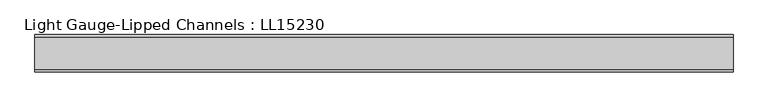
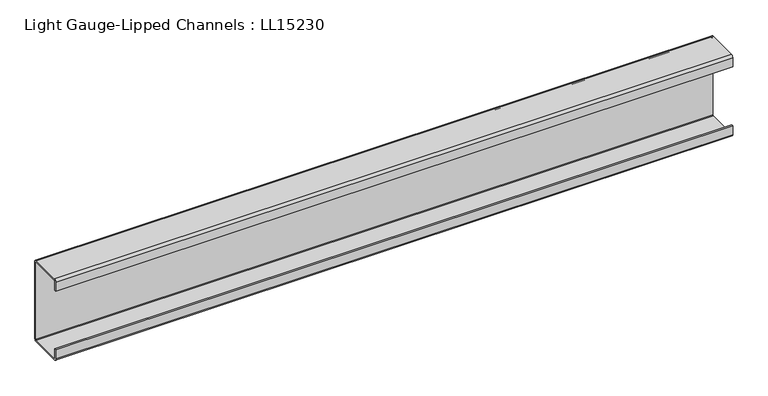
"""IFC4 building model written with IfcOpenShell, lengths in millimetres: beam geometry, Light Gauge-Lipped Channels : LL15230."""

from ifc_helpers import new_model, si_unit, point, frame, frame_2d, origin, place, context, project, spatial, polyline, circle_curve, trimmed, segment, composite_curve, outline, extrude, source, transform, mapped, element, save


def light_gauge_lipped_channels_ll15230_b1ff0596(model_context):
    return source(origin(), model_context, "Body", "SweptSolid", [
        extrude(outline(composite_curve([segment(trimmed(circle_curve(frame_2d((16.9, -72.0)), 4.0), [point((20.9, -72.0))], [point((16.9, -76.0))], False, "CARTESIAN"), True, "CONTINUOUS"), segment(polyline([(16.9, -76.0), (-39.1, -76.0)]), True, "CONTINUOUS"), segment(trimmed(circle_curve(frame_2d((-39.1, -72.0)), 4.0), [point((-39.1, -76.0))], [point((-43.1, -72.0))], False, "CARTESIAN"), True, "CONTINUOUS"), segment(polyline([(-43.1, -72.0), (-43.1, -55.0), (-40.1, -55.0), (-40.1, -72.0)]), True, "CONTINUOUS"), segment(trimmed(circle_curve(frame_2d((-39.1, -72.0)), 1.0), [point((-40.1, -72.0))], [point((-39.1, -73.0))], True, "CARTESIAN"), True, "CONTINUOUS"), segment(polyline([(-39.1, -73.0), (16.9, -73.0)]), True, "CONTINUOUS"), segment(trimmed(circle_curve(frame_2d((16.9, -72.0)), 1.0), [point((16.9, -73.0))], [point((17.9, -72.0))], True, "CARTESIAN"), True, "CONTINUOUS"), segment(polyline([(17.9, -72.0), (17.9, 72.0)]), True, "CONTINUOUS"), segment(trimmed(circle_curve(frame_2d((16.9, 72.0)), 1.0), [point((17.9, 72.0))], [point((16.9, 73.0))], True, "CARTESIAN"), True, "CONTINUOUS"), segment(polyline([(16.9, 73.0), (-39.1, 73.0)]), True, "CONTINUOUS"), segment(trimmed(circle_curve(frame_2d((-39.1, 72.0)), 1.0), [point((-39.1, 73.0))], [point((-40.1, 72.0))], True, "CARTESIAN"), True, "CONTINUOUS"), segment(polyline([(-40.1, 72.0), (-40.1, 55.0), (-43.1, 55.0), (-43.1, 72.0)]), True, "CONTINUOUS"), segment(trimmed(circle_curve(frame_2d((-39.1, 72.0)), 4.0), [point((-43.1, 72.0))], [point((-39.1, 76.0))], False, "CARTESIAN"), True, "CONTINUOUS"), segment(polyline([(-39.1, 76.0), (16.9, 76.0)]), True, "CONTINUOUS"), segment(trimmed(circle_curve(frame_2d((16.9, 72.0)), 4.0), [point((16.9, 76.0))], [point((20.9, 72.0))], False, "CARTESIAN"), True, "CONTINUOUS"), segment(polyline([(20.9, 72.0), (20.9, -72.0)]), True, "CONTINUOUS")], self_intersect=False)), frame((-600.0, 0.0, 0.0), z_axis=(1.0, 0.0, 0.0), x_axis=(0.0, 1.0, 0.0)), (0.0, 0.0, 1.0), 1200.0),
    ])


if __name__ == "__main__":
    model = new_model("IFC4")
    model_context = context("Model", 3, world=origin())
    ifc_project = project(units=[si_unit("LENGTHUNIT", "METRE", prefix="MILLI")], contexts=[model_context])
    site = spatial("IfcSite", under=ifc_project)
    building = spatial("IfcBuilding", under=site)
    placement = place(None, origin())
    light_gauge_lipped_channels_ll15230_shape = light_gauge_lipped_channels_ll15230_b1ff0596(model_context)
    element("IfcBeam", 1, ObjectType="Light Gauge-Lipped Channels : LL15230", at=placement, inside=building, context=model_context, shape_type="MappedRepresentation", body=[
        mapped(light_gauge_lipped_channels_ll15230_shape, transform((0.0, 0.0, 0.0), x_axis=(1.0, 0.0, 0.0), y_axis=(0.0, 1.0, 0.0), z_axis=(0.0, 0.0, 1.0))),
    ])
    save(model, "model.ifc")
